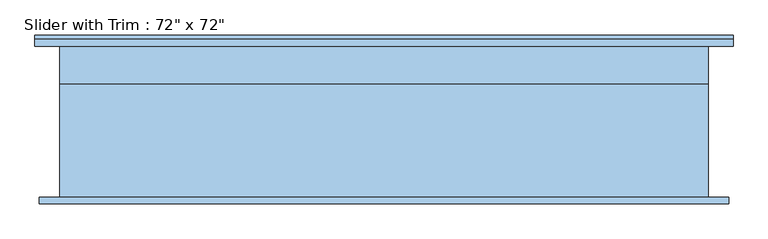
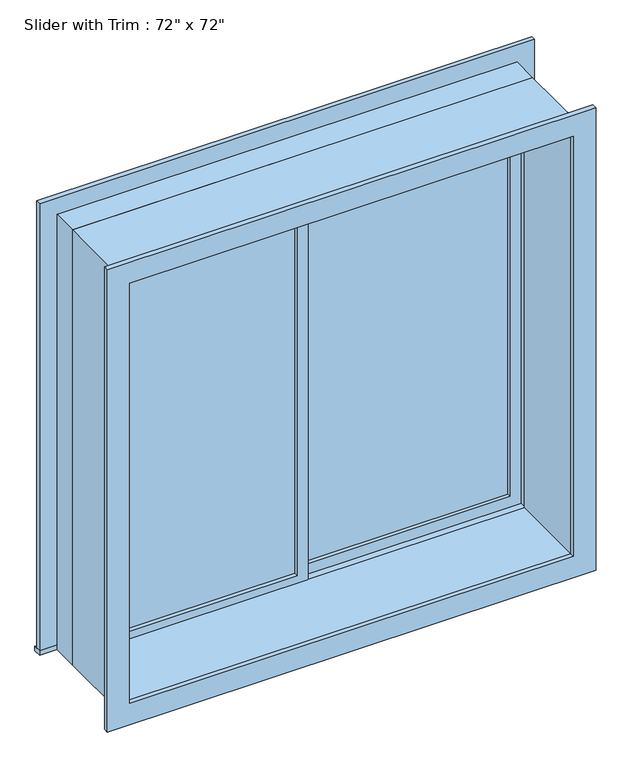
"""IFC4 building model written with IfcOpenShell, lengths in millimetres: window geometry."""

from ifc_helpers import new_model, si_unit, frame, origin, place, context, project, spatial, polyline, outline, extrude, source, transform, mapped, element, save


def window_a188e22a(model_context):
    return source(origin(), model_context, "Body", "SweptSolid", [
        extrude(outline(polyline([(-850.9, 133.35), (-22.225, 133.35), (-22.225, 120.65), (-850.9, 120.65), (-850.9, 133.35)])), frame((0.0, 0.0, 977.9), z_axis=(0.0, 0.0, 1.0), x_axis=(1.0, 0.0, 0.0)), (0.0, 0.0, 1.0), 1701.8),
        extrude(outline(polyline([(2724.15, -895.35), (933.45, -895.35), (933.45, 22.225), (2724.15, 22.225), (2724.15, -895.35)]), holes=[polyline([(2679.7, -850.9), (2679.7, -22.225), (977.9, -22.225), (977.9, -850.9), (2679.7, -850.9)])]), frame((0.0, 104.775, 0.0), z_axis=(0.0, 1.0, 0.0), x_axis=(0.0, 0.0, 1.0)), (0.0, 0.0, 1.0), 44.45),
        extrude(outline(polyline([(-984.25, 244.475), (984.25, 244.475), (984.25, 212.725), (-984.25, 212.725), (-984.25, 244.475)])), frame((0.0, 0.0, 914.4), z_axis=(0.0, 0.0, 1.0), x_axis=(1.0, 0.0, 0.0)), (0.0, 0.0, 1.0), 19.05),
        extrude(outline(polyline([(2724.15, -895.35), (2724.15, 895.35), (933.45, 895.35), (933.45, 984.25), (2813.05, 984.25), (2813.05, -984.25), (933.45, -984.25), (933.45, -895.35), (2724.15, -895.35)])), frame((0.0, 212.725, 0.0), z_axis=(0.0, 1.0, 0.0), x_axis=(0.0, 0.0, 1.0)), (0.0, 0.0, 1.0), 19.05),
        extrude(outline(polyline([(2800.35, 971.55), (2800.35, -971.55), (857.25, -971.55), (857.25, 971.55), (2800.35, 971.55)]), holes=[polyline([(2711.45, 882.65), (946.15, 882.65), (946.15, -882.65), (2711.45, -882.65), (2711.45, 882.65)])]), frame((0.0, -231.775, 0.0), z_axis=(0.0, 1.0, 0.0), x_axis=(0.0, 0.0, 1.0)), (0.0, 0.0, 1.0), 19.05),
        extrude(outline(polyline([(850.9, 165.1), (22.225, 165.1), (22.225, 177.8), (850.9, 177.8), (850.9, 165.1)])), frame((0.0, 0.0, 977.9), z_axis=(0.0, 0.0, 1.0), x_axis=(1.0, 0.0, 0.0)), (0.0, 0.0, 1.0), 1701.8),
        extrude(outline(polyline([(2724.15, -22.225), (933.45, -22.225), (933.45, 895.35), (2724.15, 895.35), (2724.15, -22.225)]), holes=[polyline([(2679.7, 22.225), (2679.7, 850.9), (977.9, 850.9), (977.9, 22.225), (2679.7, 22.225)])]), frame((0.0, 149.225, 0.0), z_axis=(0.0, 1.0, 0.0), x_axis=(0.0, 0.0, 1.0)), (0.0, 0.0, 1.0), 44.45),
        extrude(outline(polyline([(2743.2, -914.4), (914.4, -914.4), (914.4, 914.4), (2743.2, 914.4), (2743.2, -914.4)]), holes=[polyline([(2711.45, -882.65), (2711.45, 882.65), (946.15, 882.65), (946.15, -882.65), (2711.45, -882.65)])]), frame((0.0, -212.725, 0.0), z_axis=(0.0, 1.0, 0.0), x_axis=(0.0, 0.0, 1.0)), (0.0, 0.0, 1.0), 317.5),
        extrude(outline(polyline([(2743.2, 914.4), (2743.2, -914.4), (914.4, -914.4), (914.4, 914.4), (2743.2, 914.4)]), holes=[polyline([(2724.15, 895.35), (933.45, 895.35), (933.45, -895.35), (2724.15, -895.35), (2724.15, 895.35)])]), frame((0.0, 104.775, 0.0), z_axis=(0.0, 1.0, 0.0), x_axis=(0.0, 0.0, 1.0)), (0.0, 0.0, 1.0), 107.95),
    ])


if __name__ == "__main__":
    model = new_model("IFC4")
    model_context = context("Model", 3, world=origin())
    ifc_project = project(units=[si_unit("LENGTHUNIT", "METRE", prefix="MILLI")], contexts=[model_context])
    site = spatial("IfcSite", under=ifc_project)
    building = spatial("IfcBuilding", under=site)
    placement = place(None, origin())
    window_shape = window_a188e22a(model_context)
    element("IfcWindow", 1, ObjectType="Slider with Trim : 72\" x 72\"", at=placement, inside=building, context=model_context, shape_type="MappedRepresentation", body=[
        mapped(window_shape, transform((0.0, 0.0, 0.0), x_axis=(1.0, 0.0, 0.0), y_axis=(0.0, 1.0, 0.0), z_axis=(0.0, 0.0, 1.0))),
    ])
    save(model, "model.ifc")
